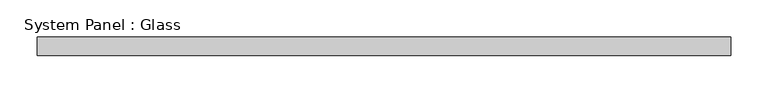
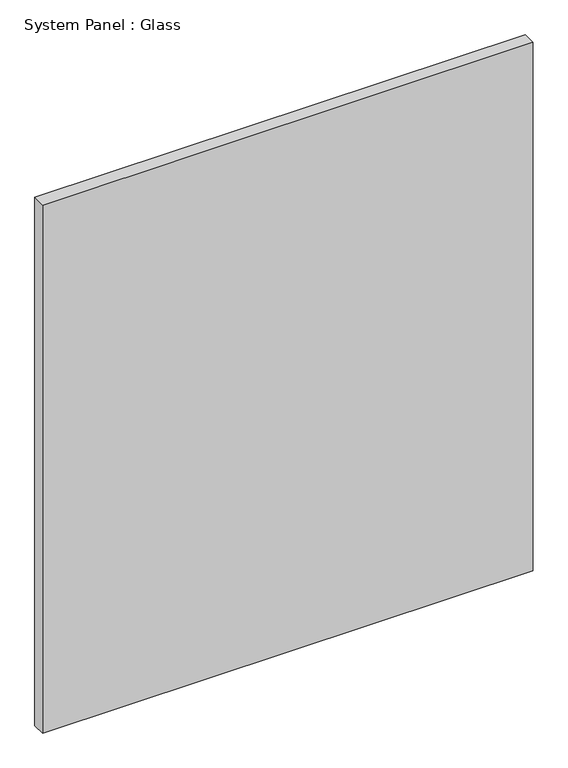
"""IFC4 building model written with IfcOpenShell, lengths in millimetres: plate geometry, System Panel : Glass."""

from ifc_helpers import new_model, si_unit, origin, origin_with_axes, place, context, project, spatial, polyline, outline, extrude, source, transform, mapped, element, save


def system_panel_glass_ea8fd7d7(model_context):
    return source(origin(), model_context, "Body", "SweptSolid", [
        extrude(outline(polyline([(465.0000001, 24.5), (-465.0000001, 24.5), (-465.0000001, 49.5), (465.0000001, 49.5), (465.0000001, 24.5)])), origin_with_axes(), (0.0, 0.0, 1.0), 1057.487152),
    ])


if __name__ == "__main__":
    model = new_model("IFC4")
    model_context = context("Model", 3, world=origin())
    ifc_project = project(units=[si_unit("LENGTHUNIT", "METRE", prefix="MILLI")], contexts=[model_context])
    site = spatial("IfcSite", under=ifc_project)
    building = spatial("IfcBuilding", under=site)
    placement = place(None, origin())
    system_panel_glass_shape = system_panel_glass_ea8fd7d7(model_context)
    element("IfcPlate", 1, ObjectType="System Panel : Glass", at=placement, inside=building, context=model_context, shape_type="MappedRepresentation", body=[
        mapped(system_panel_glass_shape, transform((0.0, 0.0, 0.0), x_axis=(1.0, 0.0, 0.0), y_axis=(0.0, 1.0, 0.0), z_axis=(0.0, 0.0, 1.0))),
    ])
    save(model, "model.ifc")
